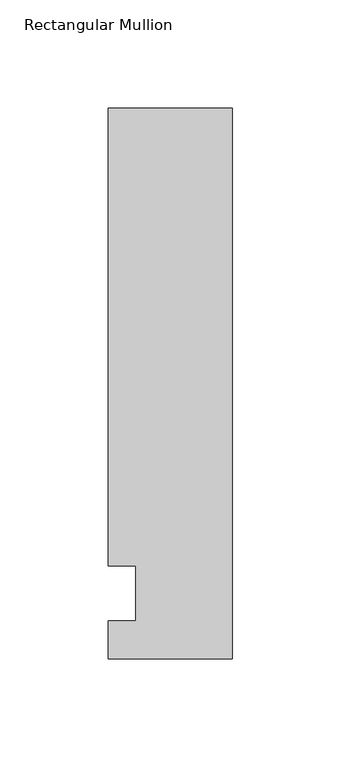
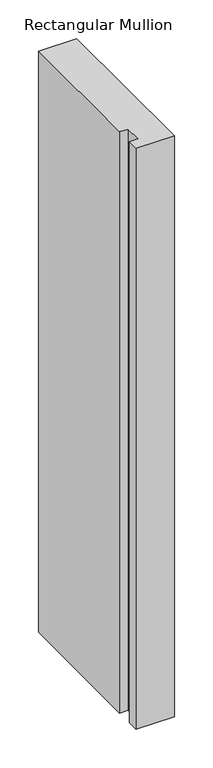
"""IFC4 building model written with IfcOpenShell, lengths in millimetres: member geometry, Rectangular Mullion."""

from ifc_helpers import new_model, si_unit, frame, origin, place, context, project, spatial, polyline, outline, extrude, source, transform, mapped, element, save


def rectangular_mullion_2399470d(model_context):
    return source(origin(), model_context, "Body", "SweptSolid", [
        extrude(outline(polyline([(-57.15, 223.8375), (0.0, 223.8375), (0.0, -30.1625), (-57.15, -30.1625), (-57.15, -12.7), (-44.4482296, -12.7), (-44.4482296, 12.7), (-57.15, 12.7), (-57.15, 223.8375)])), frame((0.0, 0.0, -920.75), z_axis=(0.0, 0.0, 1.0), x_axis=(1.0, 0.0, 0.0)), (0.0, 0.0, 1.0), 920.75),
    ])


if __name__ == "__main__":
    model = new_model("IFC4")
    model_context = context("Model", 3, world=origin())
    ifc_project = project(units=[si_unit("LENGTHUNIT", "METRE", prefix="MILLI")], contexts=[model_context])
    site = spatial("IfcSite", under=ifc_project)
    building = spatial("IfcBuilding", under=site)
    placement = place(None, origin())
    rectangular_mullion_shape = rectangular_mullion_2399470d(model_context)
    element("IfcMember", 1, ObjectType="Rectangular Mullion", at=placement, inside=building, context=model_context, shape_type="MappedRepresentation", body=[
        mapped(rectangular_mullion_shape, transform((0.0, 0.0, 0.0), x_axis=(1.0, 0.0, 0.0), y_axis=(0.0, 1.0, 0.0), z_axis=(0.0, 0.0, 1.0))),
    ])
    save(model, "model.ifc")
